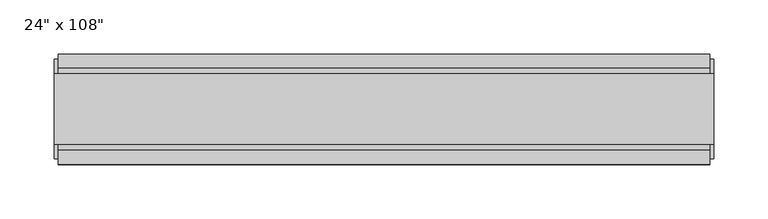
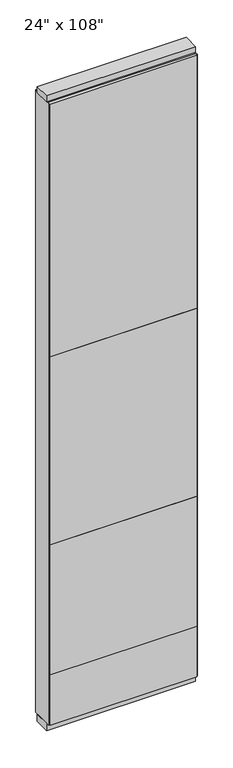
"""IFC4 building model written with IfcOpenShell, lengths in millimetres: furniture geometry."""

from ifc_helpers import new_model, si_unit, frame, origin, origin_with_axes, place, context, project, spatial, polyline, outline, extrude, source, transform, mapped, element, save


def furniture_177b991d(model_context):
    return source(origin(), model_context, "Body", "SweptSolid", [
        extrude(outline(polyline([(240.8264771, 46.2822784), (240.8264771, 33.5822784), (-360.8995229, 33.5822784), (-360.8995229, 46.2822784), (240.8264771, 46.2822784)])), frame((0.0, 0.0, 1625.6), z_axis=(0.0, 0.0, 1.0), x_axis=(1.0, 0.0, 0.0)), (0.0, 0.0, 1.0), 1092.2),
        extrude(outline(polyline([(240.8264771, 46.2822784), (240.8264771, 33.5822784), (-360.8995229, 33.5822784), (-360.8995229, 46.2822784), (240.8264771, 46.2822784)])), frame((0.0, 0.0, 812.8), z_axis=(0.0, 0.0, 1.0), x_axis=(1.0, 0.0, 0.0)), (0.0, 0.0, 1.0), 812.8),
        extrude(outline(polyline([(240.8264771, 46.2822784), (240.8264771, 33.5822784), (-360.8995229, 33.5822784), (-360.8995229, 46.2822784), (240.8264771, 46.2822784)])), frame((0.0, 0.0, 249.936), z_axis=(0.0, 0.0, 1.0), x_axis=(1.0, 0.0, 0.0)), (0.0, 0.0, 1.0), 562.864),
        extrude(outline(polyline([(240.8264771, -55.3177216), (-360.8995229, -55.3177216), (-360.8995229, -42.6177216), (240.8264771, -42.6177216), (240.8264771, -55.3177216)])), frame((0.0, 0.0, 1625.6), z_axis=(0.0, 0.0, 1.0), x_axis=(1.0, 0.0, 0.0)), (0.0, 0.0, 1.0), 1092.2),
        extrude(outline(polyline([(240.8264771, -55.3177216), (-360.8995229, -55.3177216), (-360.8995229, -42.6177216), (240.8264771, -42.6177216), (240.8264771, -55.3177216)])), frame((0.0, 0.0, 812.8), z_axis=(0.0, 0.0, 1.0), x_axis=(1.0, 0.0, 0.0)), (0.0, 0.0, 1.0), 812.8),
        extrude(outline(polyline([(240.8264771, -55.3177216), (-360.8995229, -55.3177216), (-360.8995229, -42.6177216), (240.8264771, -42.6177216), (240.8264771, -55.3177216)])), frame((0.0, 0.0, 249.936), z_axis=(0.0, 0.0, 1.0), x_axis=(1.0, 0.0, 0.0)), (0.0, 0.0, 1.0), 562.864),
        extrude(outline(polyline([(240.8264771, 46.2822784), (240.8264771, 33.5822784), (-360.8995229, 33.5822784), (-360.8995229, 46.2822784), (240.8264771, 46.2822784)])), frame((0.0, 0.0, 31.75), z_axis=(0.0, 0.0, 1.0), x_axis=(1.0, 0.0, 0.0)), (0.0, 0.0, 1.0), 218.186),
        extrude(outline(polyline([(240.8264771, -55.3177216), (-360.8995229, -55.3177216), (-360.8995229, -42.6177216), (240.8264771, -42.6177216), (240.8264771, -55.3177216)])), frame((0.0, 0.0, 31.75), z_axis=(0.0, 0.0, 1.0), x_axis=(1.0, 0.0, 0.0)), (0.0, 0.0, 1.0), 218.186),
        extrude(outline(polyline([(-42.6177216, 2681.478), (-42.6177216, 2717.8), (33.5822784, 2717.8), (33.5822784, 2681.478), (28.6292784, 2681.478), (28.6292784, 2676.525), (-37.6647216, 2676.525), (-37.6647216, 2681.478), (-42.6177216, 2681.478)])), frame((-360.8995229, 0.0, 0.0), z_axis=(1.0, 0.0, 0.0), x_axis=(0.0, 1.0, 0.0)), (0.0, 0.0, 1.0), 601.726),
        extrude(outline(polyline([(244.7634771, 27.9942784), (244.7634771, -37.0297216), (-364.8365229, -37.0297216), (-364.8365229, 27.9942784), (244.7634771, 27.9942784)])), origin_with_axes(), (0.0, 0.0, 1.0), 31.75),
        extrude(outline(polyline([(-364.8365229, -37.0297216), (-364.8365229, 27.9942784), (244.7634771, 27.9942784), (244.7634771, -37.0297216), (-364.8365229, -37.0297216)])), frame((0.0, 0.0, 2717.8), z_axis=(0.0, 0.0, 1.0), x_axis=(1.0, 0.0, 0.0)), (0.0, 0.0, 1.0), 25.4),
        extrude(outline(polyline([(244.7634771, -50.3647216), (240.8264771, -50.3647216), (240.8264771, 41.3292784), (244.7634771, 41.3292784), (244.7634771, -50.3647216)])), frame((0.0, 0.0, 31.75), z_axis=(0.0, 0.0, 1.0), x_axis=(1.0, 0.0, 0.0)), (0.0, 0.0, 1.0), 2686.05),
        extrude(outline(polyline([(-364.8365229, -50.3647216), (-364.8365229, 41.3292784), (-360.8995229, 41.3292784), (-360.8995229, -50.3647216), (-364.8365229, -50.3647216)])), frame((0.0, 0.0, 31.75), z_axis=(0.0, 0.0, 1.0), x_axis=(1.0, 0.0, 0.0)), (0.0, 0.0, 1.0), 2686.05),
    ])


if __name__ == "__main__":
    model = new_model("IFC4")
    model_context = context("Model", 3, world=origin())
    ifc_project = project(units=[si_unit("LENGTHUNIT", "METRE", prefix="MILLI")], contexts=[model_context])
    site = spatial("IfcSite", under=ifc_project)
    building = spatial("IfcBuilding", under=site)
    placement = place(None, origin())
    furniture_shape = furniture_177b991d(model_context)
    element("IfcFurniture", 1, ObjectType="24\" x 108\"", at=placement, inside=building, context=model_context, shape_type="MappedRepresentation", body=[
        mapped(furniture_shape, transform((0.0, 0.0, 0.0), x_axis=(1.0, 0.0, 0.0), y_axis=(0.0, 1.0, 0.0), z_axis=(0.0, 0.0, 1.0))),
    ])
    save(model, "model.ifc")
